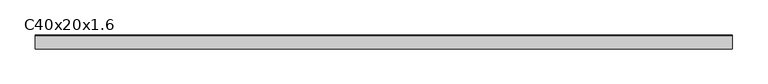
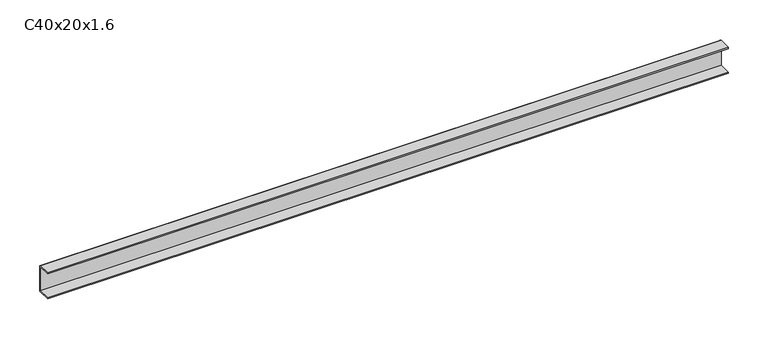
"""IFC4 building model written with IfcOpenShell, lengths in millimetres: proxy geometry, C40x20x1.6."""

from ifc_helpers import new_model, si_unit, point, frame, frame_2d, origin, place, context, project, spatial, polyline, circle_curve, trimmed, segment, composite_curve, outline, extrude, source, transform, mapped, element, save


def c40x20x1_6_613b7696(model_context):
    return source(origin(), model_context, "Body", "SweptSolid", [
        extrude(outline(composite_curve([segment(polyline([(-10.0, 38.4), (-10.0, 40.0), (8.4, 40.0)]), True, "CONTINUOUS"), segment(trimmed(circle_curve(frame_2d((8.4, 38.4)), 1.6), [point((8.4, 40.0))], [point((10.0, 38.4))], False, "CARTESIAN"), True, "CONTINUOUS"), segment(polyline([(10.0, 38.4), (10.0, 1.6)]), True, "CONTINUOUS"), segment(trimmed(circle_curve(frame_2d((8.4, 1.6)), 1.6), [point((10.0, 1.6))], [point((8.4, 0.0))], False, "CARTESIAN"), True, "CONTINUOUS"), segment(polyline([(8.4, 0.0), (-10.0, 0.0), (-10.0, 1.6), (8.4, 1.6), (8.4, 38.4), (-10.0, 38.4)]), True, "CONTINUOUS")], self_intersect=False)), frame((0.0, 0.0, 0.0), z_axis=(1.0, 0.0, 0.0), x_axis=(0.0, 1.0, 0.0)), (0.0, 0.0, 1.0), 992.0),
    ])


if __name__ == "__main__":
    model = new_model("IFC4")
    model_context = context("Model", 3, world=origin())
    ifc_project = project(units=[si_unit("LENGTHUNIT", "METRE", prefix="MILLI")], contexts=[model_context])
    site = spatial("IfcSite", under=ifc_project)
    building = spatial("IfcBuilding", under=site)
    placement = place(None, origin())
    c40x20x1_6_shape = c40x20x1_6_613b7696(model_context)
    element("IfcBuildingElementProxy", 1, Name="C40x20x1.6", ObjectType="C40x20x1.6", at=placement, inside=building, context=model_context, shape_type="MappedRepresentation", body=[
        mapped(c40x20x1_6_shape, transform((0.0, 0.0, 0.0), x_axis=(1.0, 0.0, 0.0), y_axis=(0.0, 1.0, 0.0), z_axis=(0.0, 0.0, 1.0))),
    ])
    save(model, "model.ifc")
